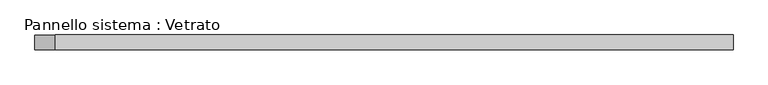
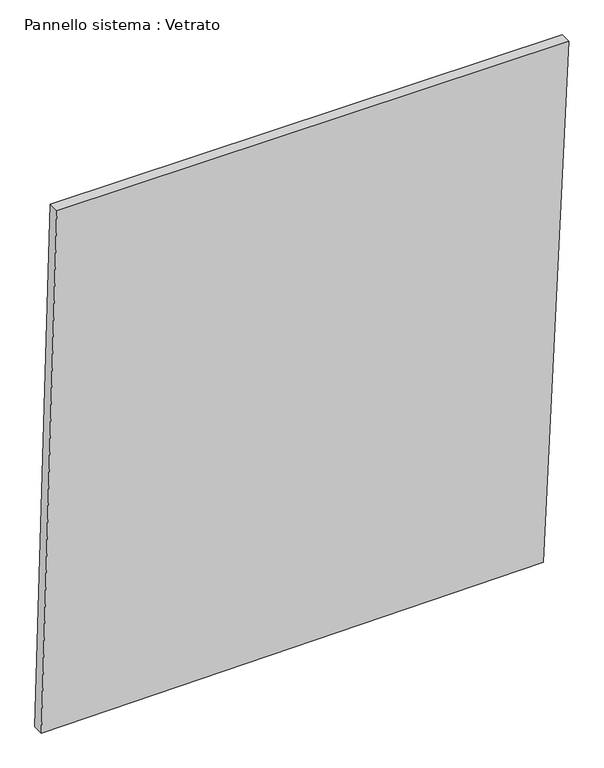
"""IFC4 building model written with IfcOpenShell, lengths in millimetres: plate geometry, Pannello sistema : Vetrato."""

from ifc_helpers import new_model, si_unit, frame, origin, place, context, project, spatial, polyline, outline, extrude, source, transform, mapped, element, save


def pannello_sistema_vetrato_6c9f0573(model_context):
    return source(origin(), model_context, "Body", "SweptSolid", [
        extrude(outline(polyline([(0.0, -709.9851121), (13.6359269, 641.9997018), (1472.2931241, 709.9851121), (1472.2931241, -668.2697493), (0.0, -709.9851121)])), frame((0.0, -15.0, 0.0), z_axis=(0.0, 1.0, 0.0), x_axis=(0.0, 0.0, 1.0)), (0.0, 0.0, 1.0), 30.0),
    ])


if __name__ == "__main__":
    model = new_model("IFC4")
    model_context = context("Model", 3, world=origin())
    ifc_project = project(units=[si_unit("LENGTHUNIT", "METRE", prefix="MILLI")], contexts=[model_context])
    site = spatial("IfcSite", under=ifc_project)
    building = spatial("IfcBuilding", under=site)
    placement = place(None, origin())
    pannello_sistema_vetrato_shape = pannello_sistema_vetrato_6c9f0573(model_context)
    element("IfcPlate", 1, ObjectType="Pannello sistema : Vetrato", at=placement, inside=building, context=model_context, shape_type="MappedRepresentation", body=[
        mapped(pannello_sistema_vetrato_shape, transform((0.0, 0.0, 0.0), x_axis=(1.0, 0.0, 0.0), y_axis=(0.0, 1.0, 0.0), z_axis=(0.0, 0.0, 1.0))),
    ])
    save(model, "model.ifc")
